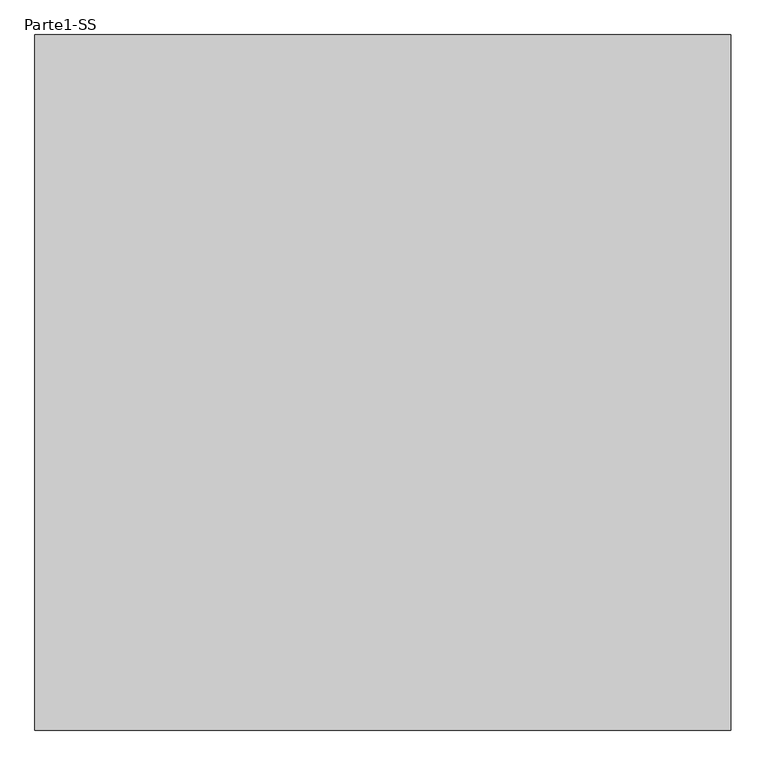
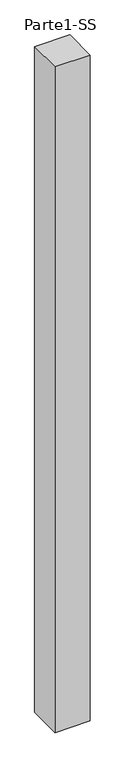
"""IFC4 building model written with IfcOpenShell, lengths in millimetres: proxy geometry, Parte1-SS."""

from ifc_helpers import new_model, si_unit, frame, origin, place, context, project, spatial, polyline, outline, extrude, source, transform, mapped, element, save


def parte1_ss_799927da(model_context):
    return source(origin(), model_context, "Body", "SweptSolid", [
        extrude(outline(polyline([(4000.0, 4000.0), (4000.0, 0.0), (0.0, 0.0), (0.0, 4000.0), (4000.0, 4000.0)])), frame((0.0, 0.0, 5000.0), z_axis=(0.0, 0.0, 1.0), x_axis=(1.0, 0.0, 0.0)), (0.0, 0.0, 1.0), 80000.0),
    ])


if __name__ == "__main__":
    model = new_model("IFC4")
    model_context = context("Model", 3, world=origin())
    ifc_project = project(units=[si_unit("LENGTHUNIT", "METRE", prefix="MILLI")], contexts=[model_context])
    site = spatial("IfcSite", under=ifc_project)
    building = spatial("IfcBuilding", under=site)
    placement = place(None, origin())
    parte1_ss_shape = parte1_ss_799927da(model_context)
    element("IfcBuildingElementProxy", 1, Name="Parte1-SS", ObjectType="Parte1-SS", at=placement, inside=building, context=model_context, shape_type="MappedRepresentation", body=[
        mapped(parte1_ss_shape, transform((0.0, 0.0, 0.0), x_axis=(1.0, 0.0, 0.0), y_axis=(0.0, 1.0, 0.0), z_axis=(0.0, 0.0, 1.0))),
    ])
    save(model, "model.ifc")
